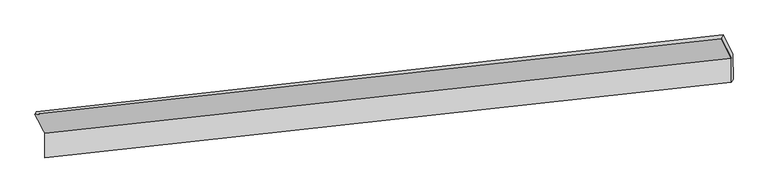
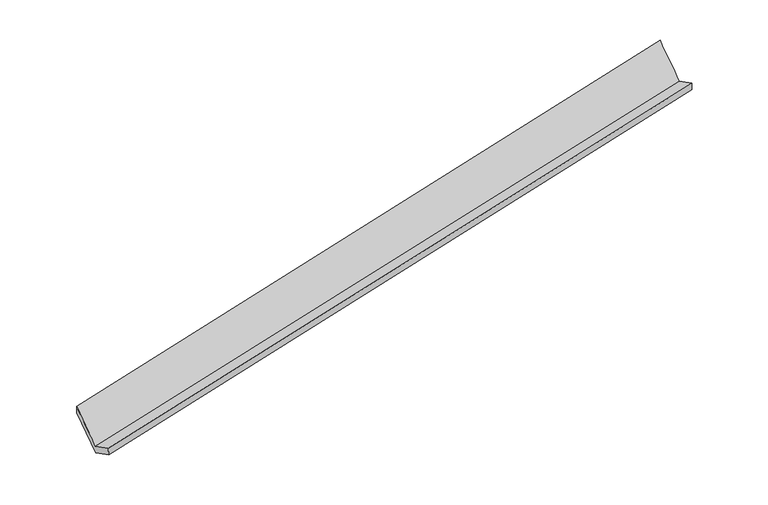
"""IFC4 building model written with IfcOpenShell, lengths in millimetres: proxy geometry."""

import ifcopenshell
import ifcopenshell.guid

model = None  # the IFC model being written
_history = None  # IfcOwnerHistory: only IFC2X3 demands one
_inside = {}  # id of a spatial element -> (the spatial element, [elements in it])
_under = {}  # id of a project, library or spatial element -> (it, [spatial elements below it])
_declared = {}  # id of a project -> (the project, [libraries it declares])
_typed = {}  # id of a type object -> (the type object, [elements of that type])
_made_of = {}  # id of a material, layer set ... -> (it, [elements and type objects made of it])


def new_model(schema):
    """Start an empty IFC model of exactly this schema.

    Asked for "IFC4X3", IfcOpenShell would pick the latest addendum, in which some entities
    have other attributes; the version numbers below select the first issue.
    IFC2X3 requires an IfcOwnerHistory on every rooted entity: one is made here for all.
    """
    global model, _history
    if schema == "IFC4X3":
        model = ifcopenshell.file(schema_version=(4, 3, 0, 0))
    else:
        model = ifcopenshell.file(schema=schema)
    _inside.clear()
    _under.clear()
    _declared.clear()
    _typed.clear()
    _made_of.clear()
    _history = None
    if model.schema == "IFC2X3":
        org = make("IfcOrganization", Name="unknown")
        user = make(
            "IfcPersonAndOrganization",
            ThePerson=make("IfcPerson", FamilyName="unknown"),
            TheOrganization=org,
        )
        app = make(
            "IfcApplication",
            ApplicationDeveloper=org,
            Version="unknown",
            ApplicationFullName="unknown",
            ApplicationIdentifier="unknown",
        )
        _history = make(
            "IfcOwnerHistory",
            OwningUser=user,
            OwningApplication=app,
            ChangeAction="ADDED",
            CreationDate=0,
        )
    return model


def make(cls, **values):
    """One entity of the class cls with the attributes given. An attribute that is None is left unset."""
    return model.create_entity(
        cls, **{name: value for name, value in values.items() if value is not None}
    )


def rooted(cls, **values):
    """An entity with a GlobalId (a new one), such as an element, a storey or a relation."""
    return make(cls, GlobalId=ifcopenshell.guid.new(), OwnerHistory=_history, **values)


def si_unit(unit_type, name, prefix=None):
    """IfcSIUnit, for example si_unit("LENGTHUNIT", "METRE", prefix="MILLI")."""
    return make("IfcSIUnit", UnitType=unit_type, Prefix=prefix, Name=name)


def assignment(units):
    """IfcUnitAssignment: the units of a project."""
    return None if units is None else make("IfcUnitAssignment", Units=units)


def point(xyz):
    """IfcCartesianPoint."""
    return None if xyz is None else make("IfcCartesianPoint", Coordinates=xyz)


def direction(xyz):
    """IfcDirection."""
    return None if xyz is None else make("IfcDirection", DirectionRatios=xyz)


def frame(location, z_axis=None, x_axis=None):
    """IfcAxis2Placement3D, a coordinate frame: its origin and axes. An axis left out is left unset."""
    return make(
        "IfcAxis2Placement3D",
        Location=point(location),
        Axis=direction(z_axis),
        RefDirection=direction(x_axis),
    )


def origin():
    """The frame at (0, 0, 0) with its axes left unset."""
    return frame((0.0, 0.0, 0.0))


def place(relative_to, where):
    """IfcLocalPlacement: puts the frame where relative to a parent placement (None: the world)."""
    return make(
        "IfcLocalPlacement", PlacementRelTo=relative_to, RelativePlacement=where
    )


def context(
    kind, dimensions, precision=None, world=None, true_north=None, identifier=None
):
    """IfcGeometricRepresentationContext, for example the 3D "Model" context."""
    return make(
        "IfcGeometricRepresentationContext",
        ContextIdentifier=identifier,
        ContextType=kind,
        CoordinateSpaceDimension=dimensions,
        Precision=precision,
        WorldCoordinateSystem=world,
        TrueNorth=true_north,
    )


def project(units=None, contexts=None):
    """IfcProject with its units and contexts."""
    return rooted(
        "IfcProject",
        Name="project",
        RepresentationContexts=contexts,
        UnitsInContext=assignment(units),
    )


def spatial(cls, under=None, at=None, **own):
    """A site, building, storey or space (cls), placed at a placement, below another one or the project."""
    s = rooted(cls, ObjectPlacement=at, **own)
    if under is not None:
        _under.setdefault(under.id(), (under, []))[1].append(s)
    return s


def shape(context_of_items, identifier, shape_type, items):
    """IfcShapeRepresentation: the items that make up one representation, for example the "Body"."""
    return make(
        "IfcShapeRepresentation",
        ContextOfItems=context_of_items,
        RepresentationIdentifier=identifier,
        RepresentationType=shape_type,
        Items=items,
    )


def source(mapping_origin, context_of_items, identifier, shape_type, items):
    """IfcRepresentationMap: a shape defined once, which mapped items show again and again."""
    return make(
        "IfcRepresentationMap",
        MappingOrigin=mapping_origin,
        MappedRepresentation=shape(context_of_items, identifier, shape_type, items),
    )


def transform(
    local_origin,
    x_axis=None,
    y_axis=None,
    z_axis=None,
    scale=None,
    scale2=None,
    scale3=None,
    uniform=True,
):
    """IfcCartesianTransformationOperator3D, or its non-uniform kind. x_axis, y_axis, z_axis: its Axis1, 2, 3."""
    if uniform:
        return make(
            "IfcCartesianTransformationOperator3D",
            Axis1=direction(x_axis),
            Axis2=direction(y_axis),
            LocalOrigin=point(local_origin),
            Scale=scale,
            Axis3=direction(z_axis),
        )
    return make(
        "IfcCartesianTransformationOperator3DnonUniform",
        Axis1=direction(x_axis),
        Axis2=direction(y_axis),
        LocalOrigin=point(local_origin),
        Scale=scale,
        Axis3=direction(z_axis),
        Scale2=scale2,
        Scale3=scale3,
    )


def mapped(mapping_source, mapping_target):
    """IfcMappedItem: shows the shape of a source again, moved by a transform."""
    return make(
        "IfcMappedItem", MappingSource=mapping_source, MappingTarget=mapping_target
    )


def made_of(thing, what):
    """Note that an element or type object is made of a material, layer set ...; save() writes the relation."""
    if what is not None:
        _made_of.setdefault(what.id(), (what, []))[1].append(thing)
    return thing


def element(
    cls,
    number,
    at=None,
    inside=None,
    cuts=None,
    type_object=None,
    material=None,
    context=None,
    identifier="Body",
    shape_type=None,
    held_by="IfcProductDefinitionShape",
    body=None,
    shapes=None,
    **own,
):
    """One element of the class cls, such as IfcWall. Its Tag is "e" and its number.

    at: its placement. inside: the storey or other place that contains it. cuts: it is an
    opening in that element (IfcRelVoidsElement). A single representation is given by context,
    identifier, shape_type and body (its items); several are given by shapes. held_by: the class
    of the entity that holds the representations. save() writes the other relations.
    """
    e = rooted(cls, Tag="e%d" % number, ObjectPlacement=at, **own)
    if body is not None:
        shapes = [shape(context, identifier, shape_type, body)]
    if shapes is not None:
        e.Representation = make(held_by, Representations=shapes)
    if inside is not None:
        _inside.setdefault(inside.id(), (inside, []))[1].append(e)
    if cuts is not None:
        rooted(
            "IfcRelVoidsElement", RelatingBuildingElement=cuts, RelatedOpeningElement=e
        )
    if type_object is not None:
        _typed.setdefault(type_object.id(), (type_object, []))[1].append(e)
    return made_of(e, material)


def aggregate(whole, parts):
    """IfcRelAggregates: a whole, such as a stair, and the parts it consists of."""
    return rooted("IfcRelAggregates", RelatingObject=whole, RelatedObjects=parts)


def save(model, path):
    """Write the relations noted so far, then the file.

    IfcRelAggregates (storeys below a building ...), IfcRelContainedInSpatialStructure (elements
    in a storey), IfcRelDefinesByType, IfcRelAssociatesMaterial and IfcRelDeclares: one each for
    every whole, place, type object, material and project.
    """
    for whole, parts in _under.values():
        aggregate(whole, parts)
    for where, things in _inside.values():
        rooted(
            "IfcRelContainedInSpatialStructure",
            RelatedElements=things,
            RelatingStructure=where,
        )
    for kind, things in _typed.values():
        rooted("IfcRelDefinesByType", RelatedObjects=things, RelatingType=kind)
    for what, things in _made_of.values():
        rooted("IfcRelAssociatesMaterial", RelatedObjects=things, RelatingMaterial=what)
    for by, libraries in _declared.values():
        rooted("IfcRelDeclares", RelatingContext=by, RelatedDefinitions=libraries)
    model.write(path)


def plane_surface(at):
    """IfcPlane: the flat surface through the origin of the frame at, square to its z axis."""
    return make("IfcPlane", Position=at)


def spline_surface(u_degree, v_degree, points, u_multiplicities, v_multiplicities, u_knots, v_knots, weights=None):
    """IfcBSplineSurfaceWithKnots; with weights, IfcRationalBSplineSurfaceWithKnots. points: one row for each step in u."""
    own = dict(
        UDegree=u_degree,
        VDegree=v_degree,
        ControlPointsList=[[point(p) for p in row] for row in points],
        SurfaceForm="UNSPECIFIED",
        UClosed=False,
        VClosed=False,
        SelfIntersect=False,
        UMultiplicities=u_multiplicities,
        VMultiplicities=v_multiplicities,
        UKnots=u_knots,
        VKnots=v_knots,
        KnotSpec="UNSPECIFIED",
    )
    if weights is None:
        return make("IfcBSplineSurfaceWithKnots", **own)
    return make("IfcRationalBSplineSurfaceWithKnots", WeightsData=weights, **own)


def advanced_brep(points, edges, surfaces, faces):
    """IfcAdvancedBrep: a solid bounded by faces that lie on surfaces and meet in shared edges.

    An edge is (start, end): straight between two places in points (the first is 0);
    or (start, end, curve); or (start, end, curve, False) where it runs against its curve.
    A face is (place in surfaces, loops), or (place, loops, False) where it looks against
    its surface's normal. A loop lists edges by number (the first is 1), with a minus sign
    where the edge is run from its end to its start. The first loop is the outer one.
    """
    corners = [point(p) for p in points]
    vertices = [make("IfcVertexPoint", VertexGeometry=c) for c in corners]
    made = []
    for start, end, *more in edges:
        made.append(
            make(
                "IfcEdgeCurve",
                EdgeStart=vertices[start],
                EdgeEnd=vertices[end],
                EdgeGeometry=more[0] if more else make("IfcPolyline", Points=[corners[start], corners[end]]),
                SameSense=more[1] if len(more) > 1 else True,
            )
        )
    hull = []
    for where, loops, *sense in faces:
        bounds = []
        for j, loop in enumerate(loops):
            ring = [make("IfcOrientedEdge", EdgeElement=made[abs(k) - 1], Orientation=k > 0) for k in loop]
            bounds.append(
                make(
                    "IfcFaceOuterBound" if j == 0 else "IfcFaceBound",
                    Bound=make("IfcEdgeLoop", EdgeList=ring),
                    Orientation=True,
                )
            )
        hull.append(make("IfcAdvancedFace", Bounds=bounds, FaceSurface=surfaces[where], SameSense=sense[0] if sense else True))
    return make("IfcAdvancedBrep", Outer=make("IfcClosedShell", CfsFaces=hull))


def generic_models_dda7250e(model_context):
    return source(origin(), model_context, "Body", "AdvancedBrep", [
        advanced_brep(
        [(-8496.4727064, -2125.7672461, 576.5339819), (-8493.6026147, -2528.0246985, 778.9683849), (2856.3745032, -1277.6043121, 3082.029969), (2853.5681443, -884.2793224, 2884.0907909), (-8465.6907235, -2488.1310537, 620.2296493), (2883.712935, -1228.8335073, 2918.6933431), (-8468.5992091, -2080.4925119, 415.0872352), (2880.8044494, -821.1949655, 2713.550929), (-8630.5516727, -1766.0358593, 1042.2402708), (2717.3208017, -497.681737, 3358.7219978), (-8658.8057604, -1810.5716161, 1205.1608355), (2689.710691, -560.0263804, 3530.7370443)],
        [
            (0, 1),
            (1, 2),
            (2, 3),
            (3, 0),
            (1, 4),
            (4, 5),
            (5, 2),
            (4, 6),
            (6, 7),
            (7, 5),
            (6, 8),
            (8, 9),
            (9, 7),
            (8, 10),
            (10, 11),
            (11, 9),
            (10, 0),
            (3, 11),
        ],
        [
            plane_surface(frame((-8495.0376605, -2326.8959723, 677.7511834), z_axis=(-0.22485934771156763, 0.43673905019156223, 0.8710323046733115), x_axis=(0.0063732783798499115, -0.8932462721776615, 0.44952250061971777))),
            spline_surface(1, 1, [[(-8493.6026147, -2528.0246985, 778.9683849), (2856.3745032, -1277.6043121, 3082.029969)], [(-8465.6907235, -2488.1310537, 620.2296493), (2883.712935, -1228.8335073, 2918.6933431)]], [2, 2], [2, 2], [0.0, 1.0], [0.0, 1.0]),
            plane_surface(frame((-8467.1449663, -2284.3117828, 517.6584422), z_axis=(0.22485943463966962, -0.43673904067866415, -0.8710322870023868), x_axis=(-0.006373278380036042, 0.893246272177579, -0.44952250061987886))),
            spline_surface(1, 1, [[(-8468.5992091, -2080.4925119, 415.0872352), (2880.8044494, -821.1949655, 2713.550929)], [(-8630.5516727, -1766.0358593, 1042.2402708), (2717.3208017, -497.681737, 3358.7219978)]], [2, 2], [2, 2], [0.0, 1.0], [0.0, 1.0]),
            spline_surface(1, 1, [[(-8630.5516727, -1766.0358593, 1042.2402708), (2717.3208017, -497.681737, 3358.7219978)], [(-8658.8057604, -1810.5716161, 1205.1608355), (2689.710691, -560.0263804, 3530.7370443)]], [2, 2], [2, 2], [0.0, 1.0], [0.0, 1.0]),
            spline_surface(1, 1, [[(-8658.8057604, -1810.5716161, 1205.1608355), (2689.710691, -560.0263804, 3530.7370443)], [(-8496.4727064, -2125.7672461, 576.5339819), (2853.5681443, -884.2793224, 2884.0907909)]], [2, 2], [2, 2], [0.0, 1.0], [0.0, 1.0]),
            plane_surface(frame((2813.5819208, -878.2700374, 3081.3040124), z_axis=(0.9752717637386197, 0.10486360140244051, 0.19454719724291186), x_axis=(-0.14921474474072827, -0.3369323711786941, 0.9296297850240504))),
            plane_surface(frame((-8535.6204478, -2133.1704976, 773.0367263), z_axis=(-0.9743547919745017, -0.10666095666571505, -0.19813172305181265), x_axis=(-0.2249269229750321, 0.4367316539523055, 0.8710185656787505))),
        ],
        [
            (0, [[1, 2, 3, 4]]),
            (1, [[5, 6, 7, -2]]),
            (2, [[8, 9, 10, -6]]),
            (3, [[11, 12, 13, -9]]),
            (4, [[14, 15, 16, -12]]),
            (5, [[17, -4, 18, -15]]),
            (6, [[-16, -18, -3, -7, -10, -13]]),
            (7, [[-17, -14, -11, -8, -5, -1]]),
        ],
    ),
    ])


if __name__ == "__main__":
    model = new_model("IFC4")
    model_context = context("Model", 3, world=origin())
    ifc_project = project(units=[si_unit("LENGTHUNIT", "METRE", prefix="MILLI")], contexts=[model_context])
    site = spatial("IfcSite", under=ifc_project)
    building = spatial("IfcBuilding", under=site)
    placement = place(None, origin())
    generic_models_shape = generic_models_dda7250e(model_context)
    element("IfcBuildingElementProxy", 1, Name="Generic Models", at=placement, inside=building, context=model_context, shape_type="MappedRepresentation", body=[
        mapped(generic_models_shape, transform((0.0, 0.0, 0.0), x_axis=(1.0, 0.0, 0.0), y_axis=(0.0, 1.0, 0.0), z_axis=(0.0, 0.0, 1.0))),
    ])
    save(model, "model.ifc")
